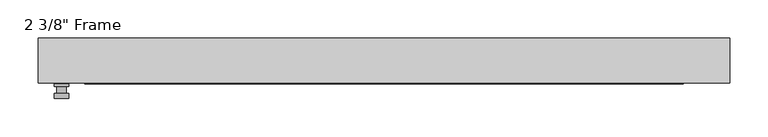
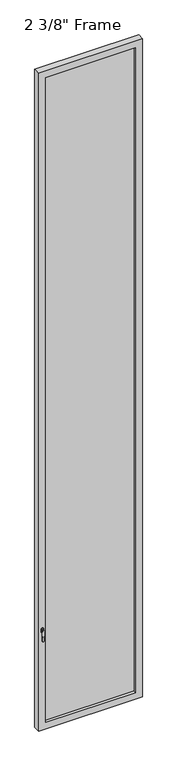
"""IFC4 building model written with IfcOpenShell, lengths in millimetres: plate geometry."""

from ifc_helpers import new_model, si_unit, frame, origin, place, context, project, spatial, polyline, circle_curve, outline, extrude, faceted_brep, source, transform, mapped, element, save
from ifc_brep_helpers import plane_surface, cylinder_surface, advanced_brep


def plate_73147e7f(model_context):
    return source(origin(), model_context, "Body", "SolidModel", [
        advanced_brep(
        [(-410.5275, -29.36875, 927.1), (-410.5275, -29.36875, 901.7), (-429.5775, -29.36875, 901.7), (-429.5775, -29.36875, 927.1), (-413.7025, -42.06875, 914.4), (-426.4025, -42.06875, 914.4), (-426.4025, -32.54375, 914.4), (-413.7025, -32.54375, 914.4), (-410.5275, -42.06875, 914.4), (-413.7065356, -42.06875, 825.2736467), (-426.3984644, -42.06875, 825.2736467), (-429.5775, -42.06875, 914.4), (-410.5275, -48.41875, 914.4), (-429.5775, -48.41875, 914.4), (-426.3984644, -48.41875, 825.2736467), (-413.7065356, -48.41875, 825.2736467), (-410.5275, -32.54375, 927.1), (-429.5775, -32.54375, 927.1), (-429.5775, -32.54375, 901.7), (-410.5275, -32.54375, 901.7)],
        [
            (0, 1),
            (1, 2, circle_curve(frame((-420.0525, -29.36875, 901.7), z_axis=(0.0, 1.0, 0.0), x_axis=(-1.0, 0.0, 0.0)), 9.525)),
            (2, 3),
            (3, 0, circle_curve(frame((-420.0525, -29.36875, 927.1), z_axis=(0.0, 1.0, 0.0), x_axis=(-1.0, 0.0, 0.0)), 9.525)),
            (4, 5, circle_curve(frame((-420.0525, -42.06875, 914.4), z_axis=(0.0, 1.0, 0.0), x_axis=(-1.0, 0.0, 0.0)), 6.35)),
            (5, 6),
            (6, 7, circle_curve(frame((-420.0525, -32.54375, 914.4), z_axis=(0.0, -1.0, 0.0), x_axis=(-1.0, 0.0, 0.0)), 6.35)),
            (7, 4),
            (5, 4, circle_curve(frame((-420.0525, -42.06875, 914.4), z_axis=(0.0, 1.0, 0.0), x_axis=(-1.0, 0.0, 0.0)), 6.35)),
            (7, 6, circle_curve(frame((-420.0525, -32.54375, 914.4), z_axis=(0.0, -1.0, 0.0), x_axis=(-1.0, 0.0, 0.0)), 6.35)),
            (8, 9),
            (9, 10, circle_curve(frame((-420.0525, -42.06875, 825.5), z_axis=(0.0, 1.0, 0.0), x_axis=(-1.0, 0.0, 0.0)), 6.35)),
            (10, 11),
            (11, 8, circle_curve(frame((-420.0525, -42.06875, 914.4), z_axis=(0.0, 1.0, 0.0), x_axis=(-1.0, 0.0, 0.0)), 9.525)),
            (12, 13, circle_curve(frame((-420.0525, -48.41875, 914.4), z_axis=(0.0, -1.0, 0.0), x_axis=(-1.0, 0.0, 0.0)), 9.525)),
            (13, 14),
            (14, 15, circle_curve(frame((-420.0525, -48.41875, 825.5), z_axis=(0.0, -1.0, 0.0), x_axis=(-1.0, 0.0, 0.0)), 6.35)),
            (15, 12),
            (8, 12),
            (15, 9),
            (14, 10),
            (13, 11),
            (16, 17, circle_curve(frame((-420.0525, -32.54375, 927.1), z_axis=(0.0, -1.0, 0.0), x_axis=(-1.0, 0.0, 0.0)), 9.525)),
            (17, 18),
            (18, 19, circle_curve(frame((-420.0525, -32.54375, 901.7), z_axis=(0.0, -1.0, 0.0), x_axis=(-1.0, 0.0, 0.0)), 9.525)),
            (19, 16),
            (0, 16),
            (19, 1),
            (18, 2),
            (17, 3),
        ],
        [
            plane_surface(frame((-426.4025, -29.36875, 914.4), z_axis=(0.0, 1.0, 0.0), x_axis=(0.0, 0.0, 1.0))),
            cylinder_surface(frame((-420.0525, -42.06875, 914.4), z_axis=(0.0, 1.0, 0.0), x_axis=(-1.0, 0.0, 0.0)), 6.35),
            plane_surface(frame((-410.5275, -42.06875, 914.4), z_axis=(0.0, 1.0000000000000002, 0.0), x_axis=(-0.03564619348186888, 0.0, -0.9993644724975235))),
            plane_surface(frame((-410.5275, -48.41875, 914.4), z_axis=(0.0, -1.0000000000000002, 0.0), x_axis=(0.03564619348186888, 0.0, 0.9993644724975235))),
            plane_surface(frame((-410.5275, -42.06875, 914.4), z_axis=(0.9993644724975235, 0.0, -0.03564619348186888), x_axis=(0.0, -1.0, 0.0))),
            cylinder_surface(frame((-420.0525, -48.41875, 825.5), z_axis=(0.0, 1.0, 0.0), x_axis=(-1.0, 0.0, 0.0)), 6.35),
            plane_surface(frame((-426.3984644, -42.06875, 825.2736467), z_axis=(-0.9993644724975228, 0.0, -0.03564619348188612), x_axis=(0.0, -1.0, 0.0))),
            cylinder_surface(frame((-420.0525, -48.41875, 914.4), z_axis=(0.0, 1.0, 0.0), x_axis=(-1.0, 0.0, 0.0)), 9.525),
            plane_surface(frame((-410.5275, -32.54375, 901.7), z_axis=(0.0, -1.0, 0.0), x_axis=(0.0, 0.0, 1.0))),
            plane_surface(frame((-410.5275, -29.36875, 927.1), z_axis=(1.0, 0.0, 0.0), x_axis=(0.0, -1.0, 0.0))),
            cylinder_surface(frame((-420.0525, -32.54375, 901.7), z_axis=(0.0, 1.0, 0.0), x_axis=(-1.0, 0.0, 0.0)), 9.525),
            plane_surface(frame((-429.5775, -29.36875, 901.7), z_axis=(-1.0, 0.0, 0.0), x_axis=(0.0, -1.0, 0.0))),
            cylinder_surface(frame((-420.0525, -32.54375, 927.1), z_axis=(0.0, 1.0, 0.0), x_axis=(-1.0, 0.0, 0.0)), 9.525),
        ],
        [
            (0, [[1, 2, 3, 4]]),
            (1, [[5, 6, 7, 8]]),
            (1, [[9, -8, 10, -6]]),
            (2, [[11, 12, 13, 14], [-5, -9]]),
            (3, [[15, 16, 17, 18]]),
            (4, [[-11, 19, -18, 20]]),
            (5, [[-12, -20, -17, 21]]),
            (6, [[-13, -21, -16, 22]]),
            (7, [[-14, -22, -15, -19]]),
            (8, [[23, 24, 25, 26], [-7, -10]]),
            (9, [[-1, 27, -26, 28]]),
            (10, [[-2, -28, -25, 29]]),
            (11, [[-3, -29, -24, 30]]),
            (12, [[-4, -30, -23, -27]]),
        ],
    ),
        faceted_brep([(-450.215, -29.36875, 0.0), (-450.215, 29.36875, 0.0), (450.215, 29.36875, 0.0), (450.215, -29.36875, 0.0), (-389.89, 29.36875, 5959.475), (-389.89, 19.84375, 5959.475), (-389.89, 19.84375, 60.325), (-389.89, 29.36875, 60.325), (402.59, 19.84375, 5972.175), (-402.59, 19.84375, 5972.175), (-402.59, 19.84375, 47.625), (402.59, 19.84375, 47.625), (389.89, 19.84375, 5959.475), (389.89, 19.84375, 60.325), (-402.59, -3.96875, 5972.175), (-402.59, -3.96875, 47.625), (402.59, -3.96875, 5972.175), (402.59, -3.96875, 47.625), (-389.89, -3.96875, 5959.475), (-389.89, -3.96875, 60.325), (389.89, -3.96875, 60.325), (389.89, -3.96875, 5959.475), (-389.89, -29.36875, 5959.475), (-389.89, -29.36875, 60.325), (450.215, -29.36875, 6019.8), (-450.215, -29.36875, 6019.8), (389.89, -29.36875, 5959.475), (389.89, -29.36875, 60.325), (-450.215, 29.36875, 6019.8), (450.215, 29.36875, 6019.8), (389.89, 29.36875, 60.325), (389.89, 29.36875, 5959.475)], [[[0, 1, 2, 3]], [[4, 5, 6, 7]], [[8, 9, 10, 11], [5, 12, 13, 6]], [[10, 9, 14, 15]], [[14, 16, 17, 15], [18, 19, 20, 21]], [[18, 22, 23, 19]], [[0, 3, 24, 25], [22, 26, 27, 23]], [[1, 0, 25, 28]], [[2, 1, 28, 29], [4, 7, 30, 31]], [[5, 4, 31, 12]], [[9, 8, 16, 14]], [[18, 21, 26, 22]], [[25, 24, 29, 28]], [[12, 31, 30, 13]], [[17, 16, 8, 11]], [[26, 21, 20, 27]], [[24, 3, 2, 29]], [[23, 27, 20, 19]], [[11, 10, 15, 17]], [[6, 13, 30, 7]]]),
        extrude(outline(polyline([(402.59, -3.96875), (-402.59, -3.96875), (-402.59, 19.84375), (402.59, 19.84375), (402.59, -3.96875)])), frame((0.0, 0.0, 47.625), z_axis=(0.0, 0.0, 1.0), x_axis=(1.0, 0.0, 0.0)), (0.0, 0.0, 1.0), 5924.55),
    ])


if __name__ == "__main__":
    model = new_model("IFC4")
    model_context = context("Model", 3, world=origin())
    ifc_project = project(units=[si_unit("LENGTHUNIT", "METRE", prefix="MILLI")], contexts=[model_context])
    site = spatial("IfcSite", under=ifc_project)
    building = spatial("IfcBuilding", under=site)
    placement = place(None, origin())
    plate_shape = plate_73147e7f(model_context)
    element("IfcPlate", 1, ObjectType="2 3/8\" Frame", at=placement, inside=building, context=model_context, shape_type="MappedRepresentation", body=[
        mapped(plate_shape, transform((0.0, 0.0, 0.0), x_axis=(1.0, 0.0, 0.0), y_axis=(0.0, 1.0, 0.0), z_axis=(0.0, 0.0, 1.0))),
    ])
    save(model, "model.ifc")
